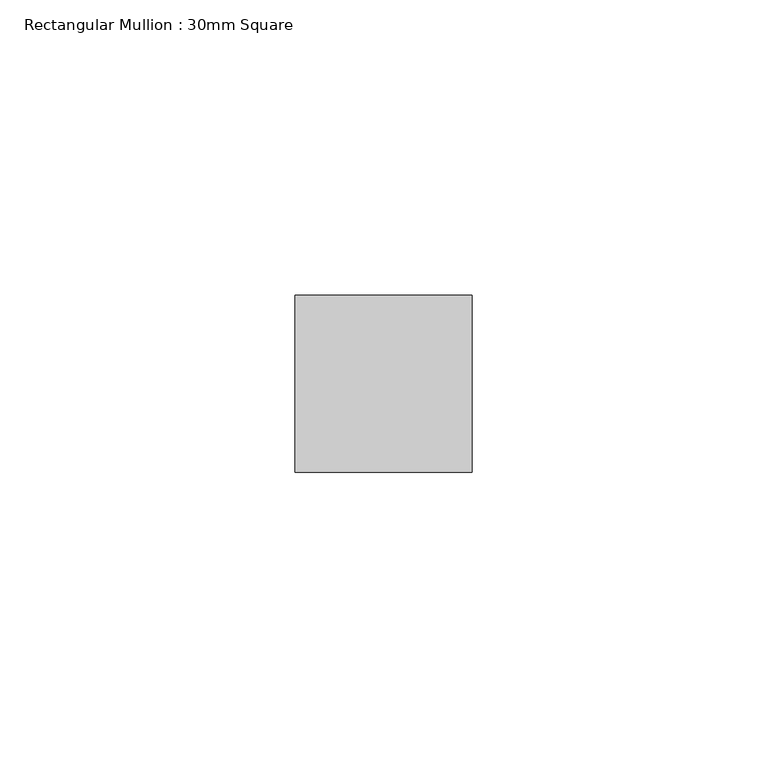
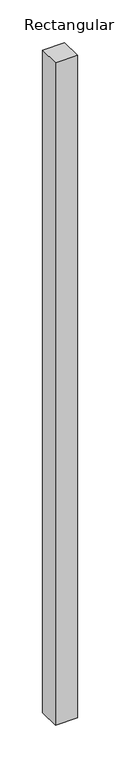
"""IFC4 building model written with IfcOpenShell, lengths in millimetres: member geometry, Rectangular Mullion : 30mm Square."""

import ifcopenshell
import ifcopenshell.guid

model = None  # the IFC model being written
_history = None  # IfcOwnerHistory: only IFC2X3 demands one
_inside = {}  # id of a spatial element -> (the spatial element, [elements in it])
_under = {}  # id of a project, library or spatial element -> (it, [spatial elements below it])
_declared = {}  # id of a project -> (the project, [libraries it declares])
_typed = {}  # id of a type object -> (the type object, [elements of that type])
_made_of = {}  # id of a material, layer set ... -> (it, [elements and type objects made of it])


def new_model(schema):
    """Start an empty IFC model of exactly this schema.

    Asked for "IFC4X3", IfcOpenShell would pick the latest addendum, in which some entities
    have other attributes; the version numbers below select the first issue.
    IFC2X3 requires an IfcOwnerHistory on every rooted entity: one is made here for all.
    """
    global model, _history
    if schema == "IFC4X3":
        model = ifcopenshell.file(schema_version=(4, 3, 0, 0))
    else:
        model = ifcopenshell.file(schema=schema)
    _inside.clear()
    _under.clear()
    _declared.clear()
    _typed.clear()
    _made_of.clear()
    _history = None
    if model.schema == "IFC2X3":
        org = make("IfcOrganization", Name="unknown")
        user = make(
            "IfcPersonAndOrganization",
            ThePerson=make("IfcPerson", FamilyName="unknown"),
            TheOrganization=org,
        )
        app = make(
            "IfcApplication",
            ApplicationDeveloper=org,
            Version="unknown",
            ApplicationFullName="unknown",
            ApplicationIdentifier="unknown",
        )
        _history = make(
            "IfcOwnerHistory",
            OwningUser=user,
            OwningApplication=app,
            ChangeAction="ADDED",
            CreationDate=0,
        )
    return model


def make(cls, **values):
    """One entity of the class cls with the attributes given. An attribute that is None is left unset."""
    return model.create_entity(
        cls, **{name: value for name, value in values.items() if value is not None}
    )


def rooted(cls, **values):
    """An entity with a GlobalId (a new one), such as an element, a storey or a relation."""
    return make(cls, GlobalId=ifcopenshell.guid.new(), OwnerHistory=_history, **values)


def si_unit(unit_type, name, prefix=None):
    """IfcSIUnit, for example si_unit("LENGTHUNIT", "METRE", prefix="MILLI")."""
    return make("IfcSIUnit", UnitType=unit_type, Prefix=prefix, Name=name)


def assignment(units):
    """IfcUnitAssignment: the units of a project."""
    return None if units is None else make("IfcUnitAssignment", Units=units)


def point(xyz):
    """IfcCartesianPoint."""
    return None if xyz is None else make("IfcCartesianPoint", Coordinates=xyz)


def direction(xyz):
    """IfcDirection."""
    return None if xyz is None else make("IfcDirection", DirectionRatios=xyz)


def frame(location, z_axis=None, x_axis=None):
    """IfcAxis2Placement3D, a coordinate frame: its origin and axes. An axis left out is left unset."""
    return make(
        "IfcAxis2Placement3D",
        Location=point(location),
        Axis=direction(z_axis),
        RefDirection=direction(x_axis),
    )


def origin():
    """The frame at (0, 0, 0) with its axes left unset."""
    return frame((0.0, 0.0, 0.0))


def place(relative_to, where):
    """IfcLocalPlacement: puts the frame where relative to a parent placement (None: the world)."""
    return make(
        "IfcLocalPlacement", PlacementRelTo=relative_to, RelativePlacement=where
    )


def context(
    kind, dimensions, precision=None, world=None, true_north=None, identifier=None
):
    """IfcGeometricRepresentationContext, for example the 3D "Model" context."""
    return make(
        "IfcGeometricRepresentationContext",
        ContextIdentifier=identifier,
        ContextType=kind,
        CoordinateSpaceDimension=dimensions,
        Precision=precision,
        WorldCoordinateSystem=world,
        TrueNorth=true_north,
    )


def project(units=None, contexts=None):
    """IfcProject with its units and contexts."""
    return rooted(
        "IfcProject",
        Name="project",
        RepresentationContexts=contexts,
        UnitsInContext=assignment(units),
    )


def spatial(cls, under=None, at=None, **own):
    """A site, building, storey or space (cls), placed at a placement, below another one or the project."""
    s = rooted(cls, ObjectPlacement=at, **own)
    if under is not None:
        _under.setdefault(under.id(), (under, []))[1].append(s)
    return s


def polyline(points):
    """IfcPolyline through the points."""
    return make("IfcPolyline", Points=[point(p) for p in points])


def outline(outer, holes=None, kind="AREA"):
    """IfcArbitraryClosedProfileDef: a profile drawn as a closed curve; with holes, ...WithVoids."""
    if holes is None:
        return make("IfcArbitraryClosedProfileDef", ProfileType=kind, OuterCurve=outer)
    return make(
        "IfcArbitraryProfileDefWithVoids",
        ProfileType=kind,
        OuterCurve=outer,
        InnerCurves=holes,
    )


def extrude(swept, where, along, depth):
    """IfcExtrudedAreaSolid: the profile swept, set in the frame where, extruded along a direction by depth."""
    return make(
        "IfcExtrudedAreaSolid",
        SweptArea=swept,
        Position=where,
        ExtrudedDirection=direction(along),
        Depth=depth,
    )


def shape(context_of_items, identifier, shape_type, items):
    """IfcShapeRepresentation: the items that make up one representation, for example the "Body"."""
    return make(
        "IfcShapeRepresentation",
        ContextOfItems=context_of_items,
        RepresentationIdentifier=identifier,
        RepresentationType=shape_type,
        Items=items,
    )


def source(mapping_origin, context_of_items, identifier, shape_type, items):
    """IfcRepresentationMap: a shape defined once, which mapped items show again and again."""
    return make(
        "IfcRepresentationMap",
        MappingOrigin=mapping_origin,
        MappedRepresentation=shape(context_of_items, identifier, shape_type, items),
    )


def transform(
    local_origin,
    x_axis=None,
    y_axis=None,
    z_axis=None,
    scale=None,
    scale2=None,
    scale3=None,
    uniform=True,
):
    """IfcCartesianTransformationOperator3D, or its non-uniform kind. x_axis, y_axis, z_axis: its Axis1, 2, 3."""
    if uniform:
        return make(
            "IfcCartesianTransformationOperator3D",
            Axis1=direction(x_axis),
            Axis2=direction(y_axis),
            LocalOrigin=point(local_origin),
            Scale=scale,
            Axis3=direction(z_axis),
        )
    return make(
        "IfcCartesianTransformationOperator3DnonUniform",
        Axis1=direction(x_axis),
        Axis2=direction(y_axis),
        LocalOrigin=point(local_origin),
        Scale=scale,
        Axis3=direction(z_axis),
        Scale2=scale2,
        Scale3=scale3,
    )


def mapped(mapping_source, mapping_target):
    """IfcMappedItem: shows the shape of a source again, moved by a transform."""
    return make(
        "IfcMappedItem", MappingSource=mapping_source, MappingTarget=mapping_target
    )


def made_of(thing, what):
    """Note that an element or type object is made of a material, layer set ...; save() writes the relation."""
    if what is not None:
        _made_of.setdefault(what.id(), (what, []))[1].append(thing)
    return thing


def element(
    cls,
    number,
    at=None,
    inside=None,
    cuts=None,
    type_object=None,
    material=None,
    context=None,
    identifier="Body",
    shape_type=None,
    held_by="IfcProductDefinitionShape",
    body=None,
    shapes=None,
    **own,
):
    """One element of the class cls, such as IfcWall. Its Tag is "e" and its number.

    at: its placement. inside: the storey or other place that contains it. cuts: it is an
    opening in that element (IfcRelVoidsElement). A single representation is given by context,
    identifier, shape_type and body (its items); several are given by shapes. held_by: the class
    of the entity that holds the representations. save() writes the other relations.
    """
    e = rooted(cls, Tag="e%d" % number, ObjectPlacement=at, **own)
    if body is not None:
        shapes = [shape(context, identifier, shape_type, body)]
    if shapes is not None:
        e.Representation = make(held_by, Representations=shapes)
    if inside is not None:
        _inside.setdefault(inside.id(), (inside, []))[1].append(e)
    if cuts is not None:
        rooted(
            "IfcRelVoidsElement", RelatingBuildingElement=cuts, RelatedOpeningElement=e
        )
    if type_object is not None:
        _typed.setdefault(type_object.id(), (type_object, []))[1].append(e)
    return made_of(e, material)


def aggregate(whole, parts):
    """IfcRelAggregates: a whole, such as a stair, and the parts it consists of."""
    return rooted("IfcRelAggregates", RelatingObject=whole, RelatedObjects=parts)


def save(model, path):
    """Write the relations noted so far, then the file.

    IfcRelAggregates (storeys below a building ...), IfcRelContainedInSpatialStructure (elements
    in a storey), IfcRelDefinesByType, IfcRelAssociatesMaterial and IfcRelDeclares: one each for
    every whole, place, type object, material and project.
    """
    for whole, parts in _under.values():
        aggregate(whole, parts)
    for where, things in _inside.values():
        rooted(
            "IfcRelContainedInSpatialStructure",
            RelatedElements=things,
            RelatingStructure=where,
        )
    for kind, things in _typed.values():
        rooted("IfcRelDefinesByType", RelatedObjects=things, RelatingType=kind)
    for what, things in _made_of.values():
        rooted("IfcRelAssociatesMaterial", RelatedObjects=things, RelatingMaterial=what)
    for by, libraries in _declared.values():
        rooted("IfcRelDeclares", RelatingContext=by, RelatedDefinitions=libraries)
    model.write(path)


def rectangular_mullion_30mm_square_71c4692f(model_context):
    return source(origin(), model_context, "Body", "SweptSolid", [
        extrude(outline(polyline([(15.0, 15.0), (15.0, -15.0), (-15.0, -15.0), (-15.0, 15.0), (15.0, 15.0)])), frame((0.0, 0.0, -946.4407667), z_axis=(0.0, 0.0, 1.0), x_axis=(1.0, 0.0, 0.0)), (0.0, 0.0, 1.0), 946.4407667),
    ])


if __name__ == "__main__":
    model = new_model("IFC4")
    model_context = context("Model", 3, world=origin())
    ifc_project = project(units=[si_unit("LENGTHUNIT", "METRE", prefix="MILLI")], contexts=[model_context])
    site = spatial("IfcSite", under=ifc_project)
    building = spatial("IfcBuilding", under=site)
    placement = place(None, origin())
    rectangular_mullion_30mm_square_shape = rectangular_mullion_30mm_square_71c4692f(model_context)
    element("IfcMember", 1, ObjectType="Rectangular Mullion : 30mm Square", at=placement, inside=building, context=model_context, shape_type="MappedRepresentation", body=[
        mapped(rectangular_mullion_30mm_square_shape, transform((0.0, 0.0, 0.0), x_axis=(1.0, 0.0, 0.0), y_axis=(0.0, 1.0, 0.0), z_axis=(0.0, 0.0, 1.0))),
    ])
    save(model, "model.ifc")
